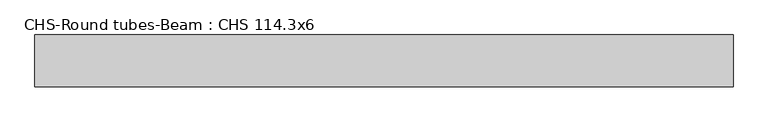
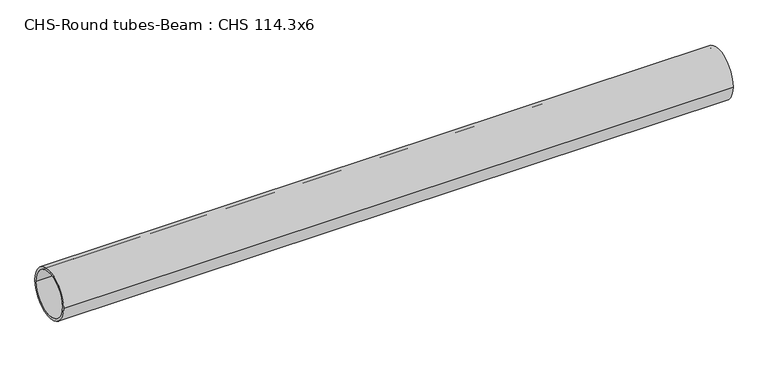
"""IFC4 building model written with IfcOpenShell, lengths in millimetres: beam geometry, CHS-Round tubes-Beam : CHS 114.3x6."""

import ifcopenshell
import ifcopenshell.guid

model = None  # the IFC model being written
_history = None  # IfcOwnerHistory: only IFC2X3 demands one
_inside = {}  # id of a spatial element -> (the spatial element, [elements in it])
_under = {}  # id of a project, library or spatial element -> (it, [spatial elements below it])
_declared = {}  # id of a project -> (the project, [libraries it declares])
_typed = {}  # id of a type object -> (the type object, [elements of that type])
_made_of = {}  # id of a material, layer set ... -> (it, [elements and type objects made of it])


def new_model(schema):
    """Start an empty IFC model of exactly this schema.

    Asked for "IFC4X3", IfcOpenShell would pick the latest addendum, in which some entities
    have other attributes; the version numbers below select the first issue.
    IFC2X3 requires an IfcOwnerHistory on every rooted entity: one is made here for all.
    """
    global model, _history
    if schema == "IFC4X3":
        model = ifcopenshell.file(schema_version=(4, 3, 0, 0))
    else:
        model = ifcopenshell.file(schema=schema)
    _inside.clear()
    _under.clear()
    _declared.clear()
    _typed.clear()
    _made_of.clear()
    _history = None
    if model.schema == "IFC2X3":
        org = make("IfcOrganization", Name="unknown")
        user = make(
            "IfcPersonAndOrganization",
            ThePerson=make("IfcPerson", FamilyName="unknown"),
            TheOrganization=org,
        )
        app = make(
            "IfcApplication",
            ApplicationDeveloper=org,
            Version="unknown",
            ApplicationFullName="unknown",
            ApplicationIdentifier="unknown",
        )
        _history = make(
            "IfcOwnerHistory",
            OwningUser=user,
            OwningApplication=app,
            ChangeAction="ADDED",
            CreationDate=0,
        )
    return model


def make(cls, **values):
    """One entity of the class cls with the attributes given. An attribute that is None is left unset."""
    return model.create_entity(
        cls, **{name: value for name, value in values.items() if value is not None}
    )


def rooted(cls, **values):
    """An entity with a GlobalId (a new one), such as an element, a storey or a relation."""
    return make(cls, GlobalId=ifcopenshell.guid.new(), OwnerHistory=_history, **values)


def si_unit(unit_type, name, prefix=None):
    """IfcSIUnit, for example si_unit("LENGTHUNIT", "METRE", prefix="MILLI")."""
    return make("IfcSIUnit", UnitType=unit_type, Prefix=prefix, Name=name)


def assignment(units):
    """IfcUnitAssignment: the units of a project."""
    return None if units is None else make("IfcUnitAssignment", Units=units)


def point(xyz):
    """IfcCartesianPoint."""
    return None if xyz is None else make("IfcCartesianPoint", Coordinates=xyz)


def direction(xyz):
    """IfcDirection."""
    return None if xyz is None else make("IfcDirection", DirectionRatios=xyz)


def frame(location, z_axis=None, x_axis=None):
    """IfcAxis2Placement3D, a coordinate frame: its origin and axes. An axis left out is left unset."""
    return make(
        "IfcAxis2Placement3D",
        Location=point(location),
        Axis=direction(z_axis),
        RefDirection=direction(x_axis),
    )


def frame_2d(location, x_axis=None):
    """IfcAxis2Placement2D, a coordinate frame in the plane: its origin and x axis."""
    return make(
        "IfcAxis2Placement2D", Location=point(location), RefDirection=direction(x_axis)
    )


def origin():
    """The frame at (0, 0, 0) with its axes left unset."""
    return frame((0.0, 0.0, 0.0))


def origin_2d():
    """The frame at (0, 0) in the plane with its x axis left unset."""
    return frame_2d((0.0, 0.0))


def place(relative_to, where):
    """IfcLocalPlacement: puts the frame where relative to a parent placement (None: the world)."""
    return make(
        "IfcLocalPlacement", PlacementRelTo=relative_to, RelativePlacement=where
    )


def context(
    kind, dimensions, precision=None, world=None, true_north=None, identifier=None
):
    """IfcGeometricRepresentationContext, for example the 3D "Model" context."""
    return make(
        "IfcGeometricRepresentationContext",
        ContextIdentifier=identifier,
        ContextType=kind,
        CoordinateSpaceDimension=dimensions,
        Precision=precision,
        WorldCoordinateSystem=world,
        TrueNorth=true_north,
    )


def project(units=None, contexts=None):
    """IfcProject with its units and contexts."""
    return rooted(
        "IfcProject",
        Name="project",
        RepresentationContexts=contexts,
        UnitsInContext=assignment(units),
    )


def spatial(cls, under=None, at=None, **own):
    """A site, building, storey or space (cls), placed at a placement, below another one or the project."""
    s = rooted(cls, ObjectPlacement=at, **own)
    if under is not None:
        _under.setdefault(under.id(), (under, []))[1].append(s)
    return s


def circle_curve(where, radius):
    """IfcCircle in the frame where."""
    return make("IfcCircle", Position=where, Radius=radius)


def trimmed(basis, trim1, trim2, sense, master):
    """IfcTrimmedCurve: the piece of a basis curve between two trims."""
    return make(
        "IfcTrimmedCurve",
        BasisCurve=basis,
        Trim1=trim1,
        Trim2=trim2,
        SenseAgreement=sense,
        MasterRepresentation=master,
    )


def segment(curve, same_sense, transition):
    """IfcCompositeCurveSegment."""
    return make(
        "IfcCompositeCurveSegment",
        Transition=transition,
        SameSense=same_sense,
        ParentCurve=curve,
    )


def composite_curve(segments, self_intersect=None):
    """IfcCompositeCurve: segments joined end to end."""
    return make("IfcCompositeCurve", Segments=segments, SelfIntersect=self_intersect)


def outline(outer, holes=None, kind="AREA"):
    """IfcArbitraryClosedProfileDef: a profile drawn as a closed curve; with holes, ...WithVoids."""
    if holes is None:
        return make("IfcArbitraryClosedProfileDef", ProfileType=kind, OuterCurve=outer)
    return make(
        "IfcArbitraryProfileDefWithVoids",
        ProfileType=kind,
        OuterCurve=outer,
        InnerCurves=holes,
    )


def extrude(swept, where, along, depth):
    """IfcExtrudedAreaSolid: the profile swept, set in the frame where, extruded along a direction by depth."""
    return make(
        "IfcExtrudedAreaSolid",
        SweptArea=swept,
        Position=where,
        ExtrudedDirection=direction(along),
        Depth=depth,
    )


def shape(context_of_items, identifier, shape_type, items):
    """IfcShapeRepresentation: the items that make up one representation, for example the "Body"."""
    return make(
        "IfcShapeRepresentation",
        ContextOfItems=context_of_items,
        RepresentationIdentifier=identifier,
        RepresentationType=shape_type,
        Items=items,
    )


def source(mapping_origin, context_of_items, identifier, shape_type, items):
    """IfcRepresentationMap: a shape defined once, which mapped items show again and again."""
    return make(
        "IfcRepresentationMap",
        MappingOrigin=mapping_origin,
        MappedRepresentation=shape(context_of_items, identifier, shape_type, items),
    )


def transform(
    local_origin,
    x_axis=None,
    y_axis=None,
    z_axis=None,
    scale=None,
    scale2=None,
    scale3=None,
    uniform=True,
):
    """IfcCartesianTransformationOperator3D, or its non-uniform kind. x_axis, y_axis, z_axis: its Axis1, 2, 3."""
    if uniform:
        return make(
            "IfcCartesianTransformationOperator3D",
            Axis1=direction(x_axis),
            Axis2=direction(y_axis),
            LocalOrigin=point(local_origin),
            Scale=scale,
            Axis3=direction(z_axis),
        )
    return make(
        "IfcCartesianTransformationOperator3DnonUniform",
        Axis1=direction(x_axis),
        Axis2=direction(y_axis),
        LocalOrigin=point(local_origin),
        Scale=scale,
        Axis3=direction(z_axis),
        Scale2=scale2,
        Scale3=scale3,
    )


def mapped(mapping_source, mapping_target):
    """IfcMappedItem: shows the shape of a source again, moved by a transform."""
    return make(
        "IfcMappedItem", MappingSource=mapping_source, MappingTarget=mapping_target
    )


def made_of(thing, what):
    """Note that an element or type object is made of a material, layer set ...; save() writes the relation."""
    if what is not None:
        _made_of.setdefault(what.id(), (what, []))[1].append(thing)
    return thing


def element(
    cls,
    number,
    at=None,
    inside=None,
    cuts=None,
    type_object=None,
    material=None,
    context=None,
    identifier="Body",
    shape_type=None,
    held_by="IfcProductDefinitionShape",
    body=None,
    shapes=None,
    **own,
):
    """One element of the class cls, such as IfcWall. Its Tag is "e" and its number.

    at: its placement. inside: the storey or other place that contains it. cuts: it is an
    opening in that element (IfcRelVoidsElement). A single representation is given by context,
    identifier, shape_type and body (its items); several are given by shapes. held_by: the class
    of the entity that holds the representations. save() writes the other relations.
    """
    e = rooted(cls, Tag="e%d" % number, ObjectPlacement=at, **own)
    if body is not None:
        shapes = [shape(context, identifier, shape_type, body)]
    if shapes is not None:
        e.Representation = make(held_by, Representations=shapes)
    if inside is not None:
        _inside.setdefault(inside.id(), (inside, []))[1].append(e)
    if cuts is not None:
        rooted(
            "IfcRelVoidsElement", RelatingBuildingElement=cuts, RelatedOpeningElement=e
        )
    if type_object is not None:
        _typed.setdefault(type_object.id(), (type_object, []))[1].append(e)
    return made_of(e, material)


def aggregate(whole, parts):
    """IfcRelAggregates: a whole, such as a stair, and the parts it consists of."""
    return rooted("IfcRelAggregates", RelatingObject=whole, RelatedObjects=parts)


def save(model, path):
    """Write the relations noted so far, then the file.

    IfcRelAggregates (storeys below a building ...), IfcRelContainedInSpatialStructure (elements
    in a storey), IfcRelDefinesByType, IfcRelAssociatesMaterial and IfcRelDeclares: one each for
    every whole, place, type object, material and project.
    """
    for whole, parts in _under.values():
        aggregate(whole, parts)
    for where, things in _inside.values():
        rooted(
            "IfcRelContainedInSpatialStructure",
            RelatedElements=things,
            RelatingStructure=where,
        )
    for kind, things in _typed.values():
        rooted("IfcRelDefinesByType", RelatedObjects=things, RelatingType=kind)
    for what, things in _made_of.values():
        rooted("IfcRelAssociatesMaterial", RelatedObjects=things, RelatingMaterial=what)
    for by, libraries in _declared.values():
        rooted("IfcRelDeclares", RelatingContext=by, RelatedDefinitions=libraries)
    model.write(path)


def chs_round_tubes_beam_chs_114_3x6_99e8027c(model_context):
    return source(origin(), model_context, "Body", "SweptSolid", [
        extrude(outline(composite_curve([segment(trimmed(circle_curve(origin_2d(), 57.15), [point((57.15, 0.0))], [point((-57.15, 0.0))], False, "CARTESIAN"), True, "CONTINUOUS"), segment(trimmed(circle_curve(origin_2d(), 57.15), [point((-57.15, 0.0))], [point((57.15, 0.0))], False, "CARTESIAN"), True, "CONTINUOUS")], self_intersect=False), holes=[composite_curve([segment(trimmed(circle_curve(origin_2d(), 51.15), [point((51.15, 0.0))], [point((-51.15, 0.0))], True, "CARTESIAN"), True, "CONTINUOUS"), segment(trimmed(circle_curve(origin_2d(), 51.15), [point((-51.15, 0.0))], [point((51.15, 0.0))], True, "CARTESIAN"), True, "CONTINUOUS")], self_intersect=False)]), frame((-757.1919324, 0.0, 0.0), z_axis=(1.0, 0.0, 0.0), x_axis=(0.0, 1.0, 0.0)), (0.0, 0.0, 1.0), 1535.5936767),
    ])


if __name__ == "__main__":
    model = new_model("IFC4")
    model_context = context("Model", 3, world=origin())
    ifc_project = project(units=[si_unit("LENGTHUNIT", "METRE", prefix="MILLI")], contexts=[model_context])
    site = spatial("IfcSite", under=ifc_project)
    building = spatial("IfcBuilding", under=site)
    placement = place(None, origin())
    chs_round_tubes_beam_chs_114_3x6_shape = chs_round_tubes_beam_chs_114_3x6_99e8027c(model_context)
    element("IfcBeam", 1, ObjectType="CHS-Round tubes-Beam : CHS 114.3x6", at=placement, inside=building, context=model_context, shape_type="MappedRepresentation", body=[
        mapped(chs_round_tubes_beam_chs_114_3x6_shape, transform((0.0, 0.0, 0.0), x_axis=(1.0, 0.0, 0.0), y_axis=(0.0, 1.0, 0.0), z_axis=(0.0, 0.0, 1.0))),
    ])
    save(model, "model.ifc")
